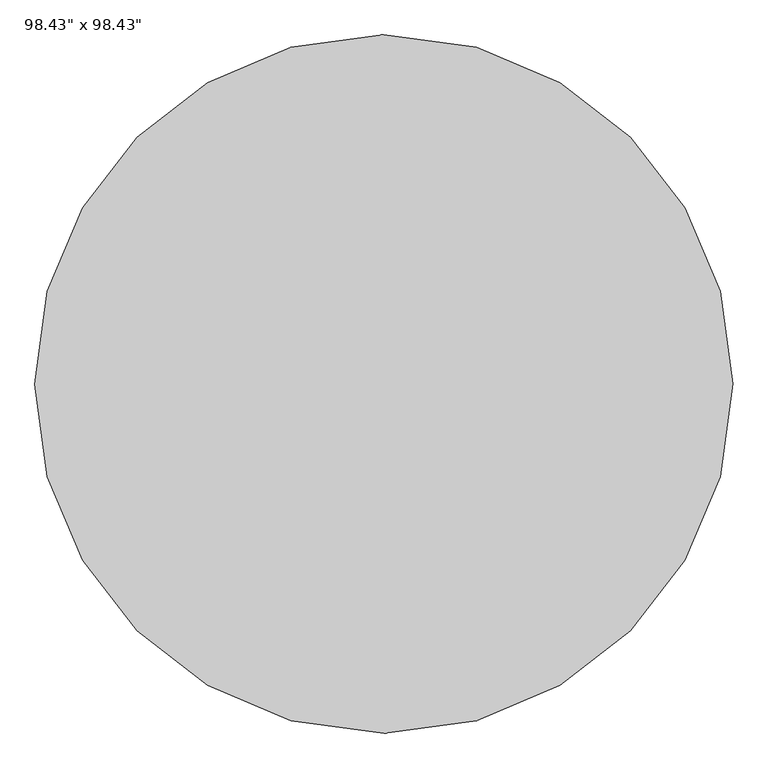
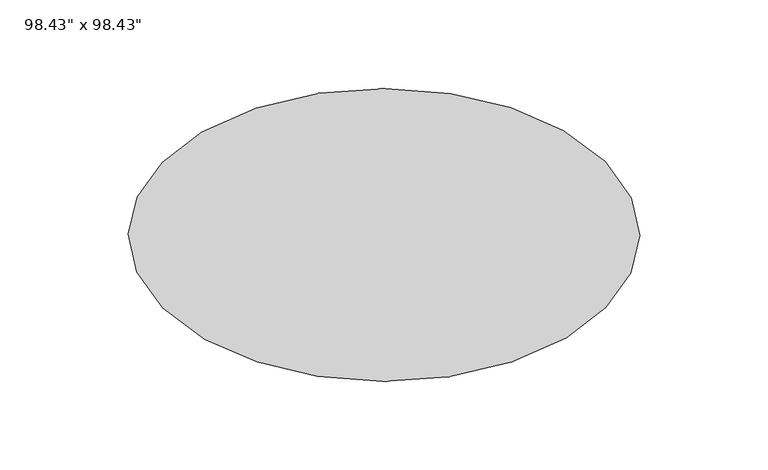
"""IFC4 building model written with IfcOpenShell, lengths in millimetres: furniture geometry."""

import ifcopenshell
import ifcopenshell.guid

model = None  # the IFC model being written
_history = None  # IfcOwnerHistory: only IFC2X3 demands one
_inside = {}  # id of a spatial element -> (the spatial element, [elements in it])
_under = {}  # id of a project, library or spatial element -> (it, [spatial elements below it])
_declared = {}  # id of a project -> (the project, [libraries it declares])
_typed = {}  # id of a type object -> (the type object, [elements of that type])
_made_of = {}  # id of a material, layer set ... -> (it, [elements and type objects made of it])


def new_model(schema):
    """Start an empty IFC model of exactly this schema.

    Asked for "IFC4X3", IfcOpenShell would pick the latest addendum, in which some entities
    have other attributes; the version numbers below select the first issue.
    IFC2X3 requires an IfcOwnerHistory on every rooted entity: one is made here for all.
    """
    global model, _history
    if schema == "IFC4X3":
        model = ifcopenshell.file(schema_version=(4, 3, 0, 0))
    else:
        model = ifcopenshell.file(schema=schema)
    _inside.clear()
    _under.clear()
    _declared.clear()
    _typed.clear()
    _made_of.clear()
    _history = None
    if model.schema == "IFC2X3":
        org = make("IfcOrganization", Name="unknown")
        user = make(
            "IfcPersonAndOrganization",
            ThePerson=make("IfcPerson", FamilyName="unknown"),
            TheOrganization=org,
        )
        app = make(
            "IfcApplication",
            ApplicationDeveloper=org,
            Version="unknown",
            ApplicationFullName="unknown",
            ApplicationIdentifier="unknown",
        )
        _history = make(
            "IfcOwnerHistory",
            OwningUser=user,
            OwningApplication=app,
            ChangeAction="ADDED",
            CreationDate=0,
        )
    return model


def make(cls, **values):
    """One entity of the class cls with the attributes given. An attribute that is None is left unset."""
    return model.create_entity(
        cls, **{name: value for name, value in values.items() if value is not None}
    )


def rooted(cls, **values):
    """An entity with a GlobalId (a new one), such as an element, a storey or a relation."""
    return make(cls, GlobalId=ifcopenshell.guid.new(), OwnerHistory=_history, **values)


def si_unit(unit_type, name, prefix=None):
    """IfcSIUnit, for example si_unit("LENGTHUNIT", "METRE", prefix="MILLI")."""
    return make("IfcSIUnit", UnitType=unit_type, Prefix=prefix, Name=name)


def assignment(units):
    """IfcUnitAssignment: the units of a project."""
    return None if units is None else make("IfcUnitAssignment", Units=units)


def point(xyz):
    """IfcCartesianPoint."""
    return None if xyz is None else make("IfcCartesianPoint", Coordinates=xyz)


def direction(xyz):
    """IfcDirection."""
    return None if xyz is None else make("IfcDirection", DirectionRatios=xyz)


def frame(location, z_axis=None, x_axis=None):
    """IfcAxis2Placement3D, a coordinate frame: its origin and axes. An axis left out is left unset."""
    return make(
        "IfcAxis2Placement3D",
        Location=point(location),
        Axis=direction(z_axis),
        RefDirection=direction(x_axis),
    )


def origin():
    """The frame at (0, 0, 0) with its axes left unset."""
    return frame((0.0, 0.0, 0.0))


def place(relative_to, where):
    """IfcLocalPlacement: puts the frame where relative to a parent placement (None: the world)."""
    return make(
        "IfcLocalPlacement", PlacementRelTo=relative_to, RelativePlacement=where
    )


def context(
    kind, dimensions, precision=None, world=None, true_north=None, identifier=None
):
    """IfcGeometricRepresentationContext, for example the 3D "Model" context."""
    return make(
        "IfcGeometricRepresentationContext",
        ContextIdentifier=identifier,
        ContextType=kind,
        CoordinateSpaceDimension=dimensions,
        Precision=precision,
        WorldCoordinateSystem=world,
        TrueNorth=true_north,
    )


def project(units=None, contexts=None):
    """IfcProject with its units and contexts."""
    return rooted(
        "IfcProject",
        Name="project",
        RepresentationContexts=contexts,
        UnitsInContext=assignment(units),
    )


def spatial(cls, under=None, at=None, **own):
    """A site, building, storey or space (cls), placed at a placement, below another one or the project."""
    s = rooted(cls, ObjectPlacement=at, **own)
    if under is not None:
        _under.setdefault(under.id(), (under, []))[1].append(s)
    return s


def point_list(points):
    """IfcCartesianPointList2D or 3D."""
    cls = (
        "IfcCartesianPointList2D" if len(points[0]) == 2 else "IfcCartesianPointList3D"
    )
    return make(cls, CoordList=points)


def triangles(points, corners, closed=None, point_numbers=None):
    """IfcTriangulatedFaceSet: each triangle names its three corners, points numbered from 1."""
    return make(
        "IfcTriangulatedFaceSet",
        Coordinates=point_list(points),
        Closed=closed,
        CoordIndex=corners,
        PnIndex=point_numbers,
    )


def shape(context_of_items, identifier, shape_type, items):
    """IfcShapeRepresentation: the items that make up one representation, for example the "Body"."""
    return make(
        "IfcShapeRepresentation",
        ContextOfItems=context_of_items,
        RepresentationIdentifier=identifier,
        RepresentationType=shape_type,
        Items=items,
    )


def source(mapping_origin, context_of_items, identifier, shape_type, items):
    """IfcRepresentationMap: a shape defined once, which mapped items show again and again."""
    return make(
        "IfcRepresentationMap",
        MappingOrigin=mapping_origin,
        MappedRepresentation=shape(context_of_items, identifier, shape_type, items),
    )


def transform(
    local_origin,
    x_axis=None,
    y_axis=None,
    z_axis=None,
    scale=None,
    scale2=None,
    scale3=None,
    uniform=True,
):
    """IfcCartesianTransformationOperator3D, or its non-uniform kind. x_axis, y_axis, z_axis: its Axis1, 2, 3."""
    if uniform:
        return make(
            "IfcCartesianTransformationOperator3D",
            Axis1=direction(x_axis),
            Axis2=direction(y_axis),
            LocalOrigin=point(local_origin),
            Scale=scale,
            Axis3=direction(z_axis),
        )
    return make(
        "IfcCartesianTransformationOperator3DnonUniform",
        Axis1=direction(x_axis),
        Axis2=direction(y_axis),
        LocalOrigin=point(local_origin),
        Scale=scale,
        Axis3=direction(z_axis),
        Scale2=scale2,
        Scale3=scale3,
    )


def mapped(mapping_source, mapping_target):
    """IfcMappedItem: shows the shape of a source again, moved by a transform."""
    return make(
        "IfcMappedItem", MappingSource=mapping_source, MappingTarget=mapping_target
    )


def made_of(thing, what):
    """Note that an element or type object is made of a material, layer set ...; save() writes the relation."""
    if what is not None:
        _made_of.setdefault(what.id(), (what, []))[1].append(thing)
    return thing


def element(
    cls,
    number,
    at=None,
    inside=None,
    cuts=None,
    type_object=None,
    material=None,
    context=None,
    identifier="Body",
    shape_type=None,
    held_by="IfcProductDefinitionShape",
    body=None,
    shapes=None,
    **own,
):
    """One element of the class cls, such as IfcWall. Its Tag is "e" and its number.

    at: its placement. inside: the storey or other place that contains it. cuts: it is an
    opening in that element (IfcRelVoidsElement). A single representation is given by context,
    identifier, shape_type and body (its items); several are given by shapes. held_by: the class
    of the entity that holds the representations. save() writes the other relations.
    """
    e = rooted(cls, Tag="e%d" % number, ObjectPlacement=at, **own)
    if body is not None:
        shapes = [shape(context, identifier, shape_type, body)]
    if shapes is not None:
        e.Representation = make(held_by, Representations=shapes)
    if inside is not None:
        _inside.setdefault(inside.id(), (inside, []))[1].append(e)
    if cuts is not None:
        rooted(
            "IfcRelVoidsElement", RelatingBuildingElement=cuts, RelatedOpeningElement=e
        )
    if type_object is not None:
        _typed.setdefault(type_object.id(), (type_object, []))[1].append(e)
    return made_of(e, material)


def aggregate(whole, parts):
    """IfcRelAggregates: a whole, such as a stair, and the parts it consists of."""
    return rooted("IfcRelAggregates", RelatingObject=whole, RelatedObjects=parts)


def save(model, path):
    """Write the relations noted so far, then the file.

    IfcRelAggregates (storeys below a building ...), IfcRelContainedInSpatialStructure (elements
    in a storey), IfcRelDefinesByType, IfcRelAssociatesMaterial and IfcRelDeclares: one each for
    every whole, place, type object, material and project.
    """
    for whole, parts in _under.values():
        aggregate(whole, parts)
    for where, things in _inside.values():
        rooted(
            "IfcRelContainedInSpatialStructure",
            RelatedElements=things,
            RelatingStructure=where,
        )
    for kind, things in _typed.values():
        rooted("IfcRelDefinesByType", RelatedObjects=things, RelatingType=kind)
    for what, things in _made_of.values():
        rooted("IfcRelAssociatesMaterial", RelatedObjects=things, RelatingMaterial=what)
    for by, libraries in _declared.values():
        rooted("IfcRelDeclares", RelatingContext=by, RelatedDefinitions=libraries)
    model.write(path)


def furniture_2c1789de(model_context):
    return source(origin(), model_context, "Body", "Tessellation", [
        triangles([(332.0830367, 1205.3055719, 5.0800003), (-0.0001242, 1250.0000095, 5.0800003), (-0.0001198, 1239.9099277, 5.0800003), (329.423824, 1195.5733171, 5.0800003), (-332.0832184, 1205.3053539, 5.0800003), (-329.4240057, 1195.5730991, 5.0800003), (-630.622118, 1079.1998245, 5.0800003), (-625.5346378, 1070.4932339, 5.0800003), (-883.6499147, 883.6496967, 5.0800003), (-876.5209894, 876.5208441, 5.0800003), (-1079.2000425, 630.6217546, 5.0800003), (-1070.4934519, 625.5343472, 5.0800003), (-1205.3055719, 332.0830004, 5.0800003), (-1195.5733171, 329.4237877, 5.0800003), (-1250.0000095, -0.0001788, 5.0800003), (-1239.9099277, -0.0001762, 5.0800003), (-1205.3054266, -332.0833274, 5.0800003), (-1195.5732445, -329.4240784, 5.0800003), (-1079.1998245, -630.622118, 5.0800003), (-1070.4932339, -625.5347105, 5.0800003), (-883.6497694, -883.6499147, 5.0800003), (-876.5208441, -876.5209894, 5.0800003), (-630.6219, -1079.2000425, 5.0800003), (-625.5344925, -1070.4934519, 5.0800003), (-332.0831094, -1205.3055719, 5.0800003), (-329.4238604, -1195.5733171, 5.0800003), (8.45e-05, -1250.0000095, 5.0800003), (8.21e-05, -1239.9099277, 5.0800003), (332.0832184, -1205.3054266, 5.0800003), (329.4240057, -1195.5732445, 5.0800003), (630.6220453, -1079.1998245, 5.0800003), (625.5345652, -1070.4932339, 5.0800003), (883.6499147, -883.6497694, 5.0800003), (876.5209894, -876.5208441, 5.0800003), (1079.2000425, -630.6219, 5.0800003), (1070.4934519, -625.5344925, 5.0800003), (1205.3055719, -332.0831094, 5.0800003), (1195.5733171, -329.4238604, 5.0800003), (1250.0000095, 6.95e-05, 5.0800003), (1239.9099277, 6.72e-05, 5.0800003), (1205.3054266, 332.0832184, 5.0800003), (1195.5732445, 329.4240057, 5.0800003), (1079.1998245, 630.6220453, 5.0800003), (1070.4932339, 625.5345652, 5.0800003), (883.6497694, 883.6499147, 5.0800003), (876.5208441, 876.5209894, 5.0800003), (630.6218273, 1079.2000425, 5.0800003), (625.5344198, 1070.4934519, 5.0800003), (-1.1e-06, -2.07e-05, 5.0800003)], [[1, 2, 3], [1, 3, 4], [2, 5, 6], [2, 6, 3], [5, 7, 8], [5, 8, 6], [7, 9, 10], [7, 10, 8], [9, 11, 12], [9, 12, 10], [11, 13, 14], [11, 14, 12], [13, 15, 16], [13, 16, 14], [15, 17, 18], [15, 18, 16], [17, 19, 20], [17, 20, 18], [19, 21, 22], [19, 22, 20], [21, 23, 24], [21, 24, 22], [23, 25, 26], [23, 26, 24], [25, 27, 28], [25, 28, 26], [27, 29, 30], [27, 30, 28], [29, 31, 32], [29, 32, 30], [31, 33, 34], [31, 34, 32], [33, 35, 36], [33, 36, 34], [35, 37, 38], [35, 38, 36], [37, 39, 40], [37, 40, 38], [39, 41, 42], [39, 42, 40], [41, 43, 44], [41, 44, 42], [43, 45, 46], [43, 46, 44], [45, 47, 48], [45, 48, 46], [47, 1, 4], [47, 4, 48], [3, 6, 8], [3, 8, 49], [8, 10, 12], [8, 12, 49], [12, 14, 16], [12, 16, 49], [16, 18, 20], [16, 20, 49], [20, 22, 24], [20, 24, 49], [24, 26, 28], [24, 28, 49], [28, 30, 32], [28, 32, 49], [32, 34, 36], [32, 36, 49], [36, 38, 40], [36, 40, 49], [40, 42, 44], [40, 44, 49], [44, 46, 48], [44, 48, 49], [48, 4, 3], [48, 3, 49]], closed=False),
    ])


if __name__ == "__main__":
    model = new_model("IFC4")
    model_context = context("Model", 3, world=origin())
    ifc_project = project(units=[si_unit("LENGTHUNIT", "METRE", prefix="MILLI")], contexts=[model_context])
    site = spatial("IfcSite", under=ifc_project)
    building = spatial("IfcBuilding", under=site)
    placement = place(None, origin())
    furniture_shape = furniture_2c1789de(model_context)
    element("IfcFurniture", 1, ObjectType="98.43\" x 98.43\"", at=placement, inside=building, context=model_context, shape_type="MappedRepresentation", body=[
        mapped(furniture_shape, transform((0.0, 0.0, 0.0), x_axis=(1.0, 0.0, 0.0), y_axis=(0.0, 1.0, 0.0), z_axis=(0.0, 0.0, 1.0))),
    ])
    save(model, "model.ifc")
